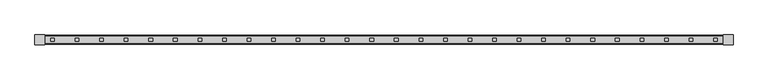
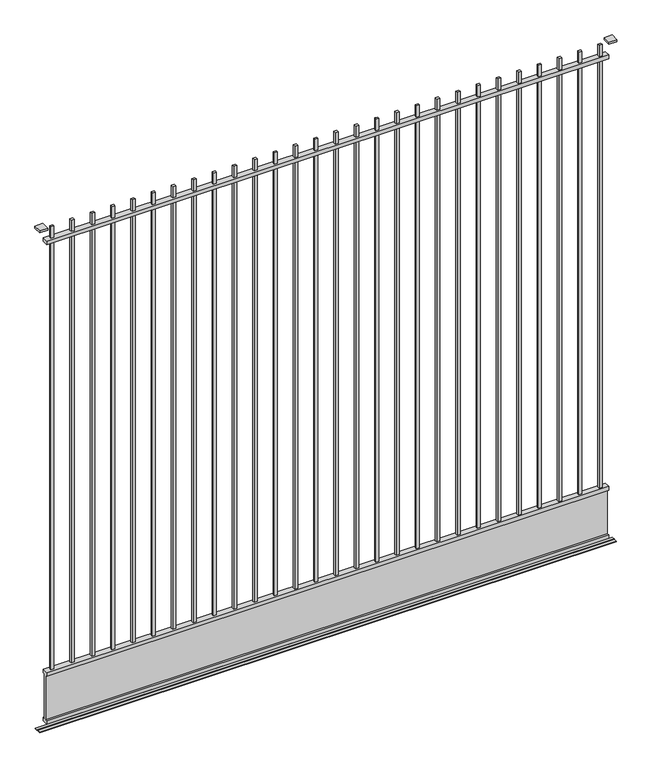
"""IFC4 building model written with IfcOpenShell, lengths in millimetres: geographic element geometry."""

from ifc_helpers import new_model, si_unit, frame, origin, place, context, project, spatial, polyline, outline, extrude, faceted_brep, source, transform, mapped, element, save


def geographic_element_a2f1956b(model_context):
    return source(origin(), model_context, "Body", "SolidModel", [
        faceted_brep([(-1429.1068511, -7.5, 3530.0), (-1429.1068511, 7.5, 3530.0), (-1449.1068511, 7.5, 3530.0), (-1449.1068511, -7.5, 3530.0), (-1157.99574, -7.5, 3530.0), (-1157.99574, 7.5, 3530.0), (-1177.99574, 7.5, 3530.0), (-1177.99574, -7.5, 3530.0), (-886.8846288, -7.5, 3530.0), (-886.8846288, 7.5, 3530.0), (-906.8846288, 7.5, 3530.0), (-906.8846288, -7.5, 3530.0), (-615.7735177, -7.5, 3530.0), (-615.7735177, 7.5, 3530.0), (-635.7735177, 7.5, 3530.0), (-635.7735177, -7.5, 3530.0), (-344.6624066, -7.5, 3530.0), (-344.6624066, 7.5, 3530.0), (-364.6624066, 7.5, 3530.0), (-364.6624066, -7.5, 3530.0), (-73.5512955, -7.5, 3530.0), (-73.5512955, 7.5, 3530.0), (-93.5512955, 7.5, 3530.0), (-93.5512955, -7.5, 3530.0), (197.5598156, -7.5, 3530.0), (197.5598156, 7.5, 3530.0), (177.5598156, 7.5, 3530.0), (177.5598156, -7.5, 3530.0), (468.6709267, -7.5, 3530.0), (468.6709267, 7.5, 3530.0), (448.6709267, 7.5, 3530.0), (448.6709267, -7.5, 3530.0), (739.7820378, -7.5, 3530.0), (739.7820378, 7.5, 3530.0), (719.7820378, 7.5, 3530.0), (719.7820378, -7.5, 3530.0), (1010.8931489, -7.5, 3530.0), (1010.8931489, 7.5, 3530.0), (990.8931489, 7.5, 3530.0), (990.8931489, -7.5, 3530.0), (1146.4487045, -7.5, 3530.0), (1146.4487045, 7.5, 3530.0), (1126.4487045, 7.5, 3530.0), (1126.4487045, -7.5, 3530.0), (1282.00426, -7.5, 3530.0), (1282.00426, 7.5, 3530.0), (1262.00426, 7.5, 3530.0), (1262.00426, -7.5, 3530.0), (1417.5598156, -7.5, 3530.0), (1417.5598156, 7.5, 3530.0), (1397.5598156, 7.5, 3530.0), (1397.5598156, -7.5, 3530.0), (1553.1153712, -7.5, 3530.0), (1553.1153712, 7.5, 3530.0), (1533.1153712, 7.5, 3530.0), (1533.1153712, -7.5, 3530.0), (1688.6709267, -7.5, 3530.0), (1688.6709267, 7.5, 3530.0), (1668.6709267, 7.5, 3530.0), (1668.6709267, -7.5, 3530.0), (1824.2264823, -7.5, 3530.0), (1824.2264823, 7.5, 3530.0), (1804.2264823, 7.5, 3530.0), (1804.2264823, -7.5, 3530.0), (1959.7820378, -7.5, 3530.0), (1959.7820378, 7.5, 3530.0), (1939.7820378, 7.5, 3530.0), (1939.7820378, -7.5, 3530.0), (2095.3375934, -7.5, 3530.0), (2095.3375934, 7.5, 3530.0), (2075.3375934, 7.5, 3530.0), (2075.3375934, -7.5, 3530.0), (2230.8931489, -7.5, 3530.0), (2230.8931489, 7.5, 3530.0), (2210.8931489, 7.5, 3530.0), (2210.8931489, -7.5, 3530.0), (-1293.5512955, -7.5, 3530.0), (-1293.5512955, 7.5, 3530.0), (-1313.5512955, 7.5, 3530.0), (-1313.5512955, -7.5, 3530.0), (-1022.4401844, -7.5, 3530.0), (-1022.4401844, 7.5, 3530.0), (-1042.4401844, 7.5, 3530.0), (-1042.4401844, -7.5, 3530.0), (-751.3290733, -7.5, 3530.0), (-751.3290733, 7.5, 3530.0), (-771.3290733, 7.5, 3530.0), (-771.3290733, -7.5, 3530.0), (-480.2179622, -7.5, 3530.0), (-480.2179622, 7.5, 3530.0), (-500.2179622, 7.5, 3530.0), (-500.2179622, -7.5, 3530.0), (62.00426, -7.5, 3530.0), (62.00426, 7.5, 3530.0), (42.00426, 7.5, 3530.0), (42.00426, -7.5, 3530.0), (333.1153712, -7.5, 3530.0), (333.1153712, 7.5, 3530.0), (313.1153712, 7.5, 3530.0), (313.1153712, -7.5, 3530.0), (875.3375934, -7.5, 3530.0), (875.3375934, 7.5, 3530.0), (855.3375934, 7.5, 3530.0), (855.3375934, -7.5, 3530.0), (604.2264823, -7.5, 3530.0), (604.2264823, 7.5, 3530.0), (584.2264823, 7.5, 3530.0), (584.2264823, -7.5, 3530.0), (-209.1068511, -7.5, 3530.0), (-209.1068511, 7.5, 3530.0), (-229.1068511, 7.5, 3530.0), (-229.1068511, -7.5, 3530.0), (-1429.1068511, -7.5, 3450.0), (-1429.1068511, 7.5, 3450.0), (-1429.1068511, -7.5, 3425.0), (-1429.1068511, -7.5, 405.0), (-1429.1068511, 7.5, 405.0), (-1429.1068511, 7.5, 3425.0), (-1449.1068511, 7.5, 3450.0), (-1449.1068511, 7.5, 405.0), (-1449.1068511, 7.5, 3425.0), (-1449.1068511, -7.5, 3450.0), (-1449.1068511, -7.5, 405.0), (-1449.1068511, -7.5, 3425.0), (-1157.99574, -7.5, 3450.0), (-1157.99574, 7.5, 3450.0), (-1157.99574, -7.5, 3425.0), (-1157.99574, -7.5, 405.0), (-1157.99574, 7.5, 405.0), (-1157.99574, 7.5, 3425.0), (-1177.99574, 7.5, 3450.0), (-1177.99574, 7.5, 405.0), (-1177.99574, 7.5, 3425.0), (-1177.99574, -7.5, 3450.0), (-1177.99574, -7.5, 405.0), (-1177.99574, -7.5, 3425.0), (-886.8846288, -7.5, 3450.0), (-886.8846288, 7.5, 3450.0), (-886.8846288, -7.5, 3425.0), (-886.8846288, -7.5, 405.0), (-886.8846288, 7.5, 405.0), (-886.8846288, 7.5, 3425.0), (-906.8846288, 7.5, 3450.0), (-906.8846288, 7.5, 405.0), (-906.8846288, 7.5, 3425.0), (-906.8846288, -7.5, 3450.0), (-906.8846288, -7.5, 405.0), (-906.8846288, -7.5, 3425.0), (-615.7735177, -7.5, 3450.0), (-615.7735177, 7.5, 3450.0), (-615.7735177, -7.5, 3425.0), (-615.7735177, -7.5, 405.0), (-615.7735177, 7.5, 405.0), (-615.7735177, 7.5, 3425.0), (-635.7735177, 7.5, 3450.0), (-635.7735177, 7.5, 405.0), (-635.7735177, 7.5, 3425.0), (-635.7735177, -7.5, 3450.0), (-635.7735177, -7.5, 405.0), (-635.7735177, -7.5, 3425.0), (-344.6624066, -7.5, 3450.0), (-344.6624066, 7.5, 3450.0), (-344.6624066, -7.5, 3425.0), (-344.6624066, -7.5, 405.0), (-344.6624066, 7.5, 405.0), (-344.6624066, 7.5, 3425.0), (-364.6624066, 7.5, 3450.0), (-364.6624066, 7.5, 405.0), (-364.6624066, 7.5, 3425.0), (-364.6624066, -7.5, 3450.0), (-364.6624066, -7.5, 405.0), (-364.6624066, -7.5, 3425.0), (-73.5512955, -7.5, 3450.0), (-73.5512955, 7.5, 3450.0), (-73.5512955, -7.5, 3425.0), (-73.5512955, -7.5, 405.0), (-73.5512955, 7.5, 405.0), (-73.5512955, 7.5, 3425.0), (-93.5512955, 7.5, 3450.0), (-93.5512955, 7.5, 405.0), (-93.5512955, 7.5, 3425.0), (-93.5512955, -7.5, 3450.0), (-93.5512955, -7.5, 405.0), (-93.5512955, -7.5, 3425.0), (197.5598156, -7.5, 3450.0), (197.5598156, 7.5, 3450.0), (197.5598156, -7.5, 3425.0), (197.5598156, -7.5, 405.0), (197.5598156, 7.5, 405.0), (197.5598156, 7.5, 3425.0), (177.5598156, 7.5, 3450.0), (177.5598156, 7.5, 405.0), (177.5598156, 7.5, 3425.0), (177.5598156, -7.5, 3450.0), (177.5598156, -7.5, 405.0), (177.5598156, -7.5, 3425.0), (468.6709267, -7.5, 3450.0), (468.6709267, 7.5, 3450.0), (468.6709267, -7.5, 3425.0), (468.6709267, -7.5, 405.0), (468.6709267, 7.5, 405.0), (468.6709267, 7.5, 3425.0), (448.6709267, 7.5, 3450.0), (448.6709267, 7.5, 405.0), (448.6709267, 7.5, 3425.0), (448.6709267, -7.5, 3450.0), (448.6709267, -7.5, 405.0), (448.6709267, -7.5, 3425.0), (739.7820378, -7.5, 3450.0), (739.7820378, 7.5, 3450.0), (739.7820378, -7.5, 3425.0), (739.7820378, -7.5, 405.0), (739.7820378, 7.5, 405.0), (739.7820378, 7.5, 3425.0), (719.7820378, 7.5, 3450.0), (719.7820378, 7.5, 405.0), (719.7820378, 7.5, 3425.0), (719.7820378, -7.5, 3450.0), (719.7820378, -7.5, 405.0), (719.7820378, -7.5, 3425.0), (1010.8931489, -7.5, 3450.0), (1010.8931489, 7.5, 3450.0), (1010.8931489, -7.5, 3425.0), (1010.8931489, -7.5, 405.0), (1010.8931489, 7.5, 405.0), (1010.8931489, 7.5, 3425.0), (990.8931489, 7.5, 3450.0), (990.8931489, 7.5, 405.0), (990.8931489, 7.5, 3425.0), (990.8931489, -7.5, 3450.0), (990.8931489, -7.5, 405.0), (990.8931489, -7.5, 3425.0), (1146.4487045, -7.5, 3450.0), (1146.4487045, 7.5, 3450.0), (1146.4487045, -7.5, 3425.0), (1146.4487045, -7.5, 405.0), (1146.4487045, 7.5, 405.0), (1146.4487045, 7.5, 3425.0), (1126.4487045, 7.5, 3450.0), (1126.4487045, 7.5, 405.0), (1126.4487045, 7.5, 3425.0), (1126.4487045, -7.5, 3450.0), (1126.4487045, -7.5, 405.0), (1126.4487045, -7.5, 3425.0), (1282.00426, -7.5, 3450.0), (1282.00426, 7.5, 3450.0), (1282.00426, -7.5, 3425.0), (1282.00426, -7.5, 405.0), (1282.00426, 7.5, 405.0), (1282.00426, 7.5, 3425.0), (1262.00426, 7.5, 3450.0), (1262.00426, 7.5, 405.0), (1262.00426, 7.5, 3425.0), (1262.00426, -7.5, 3450.0), (1262.00426, -7.5, 405.0), (1262.00426, -7.5, 3425.0), (1417.5598156, -7.5, 3450.0), (1417.5598156, 7.5, 3450.0), (1417.5598156, -7.5, 3425.0), (1417.5598156, -7.5, 405.0), (1417.5598156, 7.5, 405.0), (1417.5598156, 7.5, 3425.0), (1397.5598156, 7.5, 3450.0), (1397.5598156, 7.5, 405.0), (1397.5598156, 7.5, 3425.0), (1397.5598156, -7.5, 3450.0), (1397.5598156, -7.5, 405.0), (1397.5598156, -7.5, 3425.0), (1553.1153712, -7.5, 3450.0), (1553.1153712, 7.5, 3450.0), (1553.1153712, -7.5, 3425.0), (1553.1153712, -7.5, 405.0), (1553.1153712, 7.5, 405.0), (1553.1153712, 7.5, 3425.0), (1533.1153712, 7.5, 3450.0), (1533.1153712, 7.5, 405.0), (1533.1153712, 7.5, 3425.0), (1533.1153712, -7.5, 3450.0), (1533.1153712, -7.5, 405.0), (1533.1153712, -7.5, 3425.0), (1688.6709267, -7.5, 3450.0), (1688.6709267, 7.5, 3450.0), (1688.6709267, -7.5, 3425.0), (1688.6709267, -7.5, 405.0), (1688.6709267, 7.5, 405.0), (1688.6709267, 7.5, 3425.0), (1668.6709267, 7.5, 3450.0), (1668.6709267, 7.5, 405.0), (1668.6709267, 7.5, 3425.0), (1668.6709267, -7.5, 3450.0), (1668.6709267, -7.5, 405.0), (1668.6709267, -7.5, 3425.0), (1824.2264823, -7.5, 3450.0), (1824.2264823, 7.5, 3450.0), (1824.2264823, -7.5, 3425.0), (1824.2264823, -7.5, 405.0), (1824.2264823, 7.5, 405.0), (1824.2264823, 7.5, 3425.0), (1804.2264823, 7.5, 3450.0), (1804.2264823, 7.5, 405.0), (1804.2264823, 7.5, 3425.0), (1804.2264823, -7.5, 3450.0), (1804.2264823, -7.5, 405.0), (1804.2264823, -7.5, 3425.0), (1959.7820378, -7.5, 3450.0), (1959.7820378, 7.5, 3450.0), (1959.7820378, -7.5, 3425.0), (1959.7820378, -7.5, 405.0), (1959.7820378, 7.5, 405.0), (1959.7820378, 7.5, 3425.0), (1939.7820378, 7.5, 3450.0), (1939.7820378, 7.5, 405.0), (1939.7820378, 7.5, 3425.0), (1939.7820378, -7.5, 3450.0), (1939.7820378, -7.5, 405.0), (1939.7820378, -7.5, 3425.0), (2095.3375934, -7.5, 3450.0), (2095.3375934, 7.5, 3450.0), (2095.3375934, -7.5, 3425.0), (2095.3375934, -7.5, 405.0), (2095.3375934, 7.5, 405.0), (2095.3375934, 7.5, 3425.0), (2075.3375934, 7.5, 3450.0), (2075.3375934, 7.5, 405.0), (2075.3375934, 7.5, 3425.0), (2075.3375934, -7.5, 3450.0), (2075.3375934, -7.5, 405.0), (2075.3375934, -7.5, 3425.0), (2230.8931489, -7.5, 3450.0), (2230.8931489, 7.5, 3450.0), (2230.8931489, -7.5, 3425.0), (2230.8931489, -7.5, 405.0), (2230.8931489, 7.5, 405.0), (2230.8931489, 7.5, 3425.0), (2210.8931489, 7.5, 3450.0), (2210.8931489, 7.5, 405.0), (2210.8931489, 7.5, 3425.0), (2210.8931489, -7.5, 3450.0), (2210.8931489, -7.5, 405.0), (2210.8931489, -7.5, 3425.0), (-1293.5512955, -7.5, 3450.0), (-1293.5512955, 7.5, 3450.0), (-1293.5512955, -7.5, 3425.0), (-1293.5512955, -7.5, 405.0), (-1293.5512955, 7.5, 405.0), (-1293.5512955, 7.5, 3425.0), (-1313.5512955, 7.5, 3450.0), (-1313.5512955, 7.5, 405.0), (-1313.5512955, 7.5, 3425.0), (-1313.5512955, -7.5, 3450.0), (-1313.5512955, -7.5, 405.0), (-1313.5512955, -7.5, 3425.0), (-1022.4401844, -7.5, 3450.0), (-1022.4401844, 7.5, 3450.0), (-1022.4401844, -7.5, 3425.0), (-1022.4401844, -7.5, 405.0), (-1022.4401844, 7.5, 405.0), (-1022.4401844, 7.5, 3425.0), (-1042.4401844, 7.5, 3450.0), (-1042.4401844, 7.5, 405.0), (-1042.4401844, 7.5, 3425.0), (-1042.4401844, -7.5, 3450.0), (-1042.4401844, -7.5, 405.0), (-1042.4401844, -7.5, 3425.0), (-751.3290733, -7.5, 3450.0), (-751.3290733, 7.5, 3450.0), (-751.3290733, -7.5, 3425.0), (-751.3290733, -7.5, 405.0), (-751.3290733, 7.5, 405.0), (-751.3290733, 7.5, 3425.0), (-771.3290733, 7.5, 3450.0), (-771.3290733, 7.5, 405.0), (-771.3290733, 7.5, 3425.0), (-771.3290733, -7.5, 3450.0), (-771.3290733, -7.5, 405.0), (-771.3290733, -7.5, 3425.0), (-480.2179622, -7.5, 3450.0), (-480.2179622, 7.5, 3450.0), (-480.2179622, -7.5, 3425.0), (-480.2179622, -7.5, 405.0), (-480.2179622, 7.5, 405.0), (-480.2179622, 7.5, 3425.0), (-500.2179622, 7.5, 3450.0), (-500.2179622, 7.5, 405.0), (-500.2179622, 7.5, 3425.0), (-500.2179622, -7.5, 3450.0), (-500.2179622, -7.5, 405.0), (-500.2179622, -7.5, 3425.0), (62.00426, -7.5, 3450.0), (62.00426, 7.5, 3450.0), (62.00426, -7.5, 3425.0), (62.00426, -7.5, 405.0), (62.00426, 7.5, 405.0), (62.00426, 7.5, 3425.0), (42.00426, 7.5, 3450.0), (42.00426, 7.5, 405.0), (42.00426, 7.5, 3425.0), (42.00426, -7.5, 3450.0), (42.00426, -7.5, 405.0), (42.00426, -7.5, 3425.0), (333.1153712, -7.5, 3450.0), (333.1153712, 7.5, 3450.0), (333.1153712, -7.5, 3425.0), (333.1153712, -7.5, 405.0), (333.1153712, 7.5, 405.0), (333.1153712, 7.5, 3425.0), (313.1153712, 7.5, 3450.0), (313.1153712, 7.5, 405.0), (313.1153712, 7.5, 3425.0), (313.1153712, -7.5, 3450.0), (313.1153712, -7.5, 405.0), (313.1153712, -7.5, 3425.0), (875.3375934, -7.5, 3450.0), (875.3375934, 7.5, 3450.0), (875.3375934, -7.5, 3425.0), (875.3375934, -7.5, 405.0), (875.3375934, 7.5, 405.0), (875.3375934, 7.5, 3425.0), (855.3375934, 7.5, 3450.0), (855.3375934, 7.5, 405.0), (855.3375934, 7.5, 3425.0), (855.3375934, -7.5, 3450.0), (855.3375934, -7.5, 405.0), (855.3375934, -7.5, 3425.0), (604.2264823, -7.5, 3450.0), (604.2264823, 7.5, 3450.0), (604.2264823, -7.5, 3425.0), (604.2264823, -7.5, 405.0), (604.2264823, 7.5, 405.0), (604.2264823, 7.5, 3425.0), (584.2264823, 7.5, 3450.0), (584.2264823, 7.5, 405.0), (584.2264823, 7.5, 3425.0), (584.2264823, -7.5, 3450.0), (584.2264823, -7.5, 405.0), (584.2264823, -7.5, 3425.0), (-209.1068511, -7.5, 3450.0), (-209.1068511, 7.5, 3450.0), (-209.1068511, -7.5, 3425.0), (-209.1068511, -7.5, 405.0), (-209.1068511, 7.5, 405.0), (-209.1068511, 7.5, 3425.0), (-229.1068511, 7.5, 3450.0), (-229.1068511, 7.5, 405.0), (-229.1068511, 7.5, 3425.0), (-229.1068511, -7.5, 3450.0), (-229.1068511, -7.5, 405.0), (-229.1068511, -7.5, 3425.0), (2265.8931489, -20.0, 380.0), (2265.8931489, -7.5, 380.0), (2265.8931489, -7.5, 65.0), (2265.8931489, -20.0, 65.0), (2265.8931489, -20.0, 40.0), (2265.8931489, 20.0, 40.0), (2265.8931489, 20.0, 65.0), (2265.8931489, 7.5, 65.0), (2265.8931489, 7.5, 380.0), (2265.8931489, 20.0, 380.0), (2265.8931489, 20.0, 405.0), (2265.8931489, -20.0, 405.0), (2265.8931489, 20.0, 3425.0), (2265.8931489, 20.0, 3450.0), (2265.8931489, -20.0, 3450.0), (2265.8931489, -20.0, 3425.0), (-1484.1068511, -20.0, 380.0), (-1484.1068511, -20.0, 405.0), (-1484.1068511, 20.0, 405.0), (-1484.1068511, 20.0, 380.0), (-1484.1068511, 7.5, 380.0), (-1484.1068511, 7.5, 65.0), (-1484.1068511, 20.0, 65.0), (-1484.1068511, 20.0, 40.0), (-1484.1068511, -20.0, 40.0), (-1484.1068511, -20.0, 65.0), (-1484.1068511, -7.5, 65.0), (-1484.1068511, -7.5, 380.0), (-1484.1068511, 20.0, 3425.0), (-1484.1068511, -20.0, 3425.0), (-1484.1068511, -20.0, 3450.0), (-1484.1068511, 20.0, 3450.0)], [[[0, 1, 2, 3]], [[4, 5, 6, 7]], [[8, 9, 10, 11]], [[12, 13, 14, 15]], [[16, 17, 18, 19]], [[20, 21, 22, 23]], [[24, 25, 26, 27]], [[28, 29, 30, 31]], [[32, 33, 34, 35]], [[36, 37, 38, 39]], [[40, 41, 42, 43]], [[44, 45, 46, 47]], [[48, 49, 50, 51]], [[52, 53, 54, 55]], [[56, 57, 58, 59]], [[60, 61, 62, 63]], [[64, 65, 66, 67]], [[68, 69, 70, 71]], [[72, 73, 74, 75]], [[76, 77, 78, 79]], [[80, 81, 82, 83]], [[84, 85, 86, 87]], [[88, 89, 90, 91]], [[92, 93, 94, 95]], [[96, 97, 98, 99]], [[100, 101, 102, 103]], [[104, 105, 106, 107]], [[108, 109, 110, 111]], [[1, 0, 112, 113]], [[114, 115, 116, 117]], [[2, 1, 113, 118]], [[117, 116, 119, 120]], [[3, 2, 118, 121]], [[120, 119, 122, 123]], [[0, 3, 121, 112]], [[115, 114, 123, 122]], [[5, 4, 124, 125]], [[126, 127, 128, 129]], [[6, 5, 125, 130]], [[129, 128, 131, 132]], [[7, 6, 130, 133]], [[132, 131, 134, 135]], [[4, 7, 133, 124]], [[127, 126, 135, 134]], [[9, 8, 136, 137]], [[138, 139, 140, 141]], [[10, 9, 137, 142]], [[141, 140, 143, 144]], [[11, 10, 142, 145]], [[144, 143, 146, 147]], [[8, 11, 145, 136]], [[139, 138, 147, 146]], [[13, 12, 148, 149]], [[150, 151, 152, 153]], [[14, 13, 149, 154]], [[153, 152, 155, 156]], [[15, 14, 154, 157]], [[156, 155, 158, 159]], [[12, 15, 157, 148]], [[151, 150, 159, 158]], [[17, 16, 160, 161]], [[162, 163, 164, 165]], [[18, 17, 161, 166]], [[165, 164, 167, 168]], [[19, 18, 166, 169]], [[168, 167, 170, 171]], [[16, 19, 169, 160]], [[163, 162, 171, 170]], [[21, 20, 172, 173]], [[174, 175, 176, 177]], [[22, 21, 173, 178]], [[177, 176, 179, 180]], [[23, 22, 178, 181]], [[180, 179, 182, 183]], [[20, 23, 181, 172]], [[175, 174, 183, 182]], [[25, 24, 184, 185]], [[186, 187, 188, 189]], [[26, 25, 185, 190]], [[189, 188, 191, 192]], [[27, 26, 190, 193]], [[192, 191, 194, 195]], [[24, 27, 193, 184]], [[187, 186, 195, 194]], [[29, 28, 196, 197]], [[198, 199, 200, 201]], [[30, 29, 197, 202]], [[201, 200, 203, 204]], [[31, 30, 202, 205]], [[204, 203, 206, 207]], [[28, 31, 205, 196]], [[199, 198, 207, 206]], [[33, 32, 208, 209]], [[210, 211, 212, 213]], [[34, 33, 209, 214]], [[213, 212, 215, 216]], [[35, 34, 214, 217]], [[216, 215, 218, 219]], [[32, 35, 217, 208]], [[211, 210, 219, 218]], [[37, 36, 220, 221]], [[222, 223, 224, 225]], [[38, 37, 221, 226]], [[225, 224, 227, 228]], [[39, 38, 226, 229]], [[228, 227, 230, 231]], [[36, 39, 229, 220]], [[223, 222, 231, 230]], [[41, 40, 232, 233]], [[234, 235, 236, 237]], [[42, 41, 233, 238]], [[237, 236, 239, 240]], [[43, 42, 238, 241]], [[240, 239, 242, 243]], [[40, 43, 241, 232]], [[235, 234, 243, 242]], [[45, 44, 244, 245]], [[246, 247, 248, 249]], [[46, 45, 245, 250]], [[249, 248, 251, 252]], [[47, 46, 250, 253]], [[252, 251, 254, 255]], [[44, 47, 253, 244]], [[247, 246, 255, 254]], [[49, 48, 256, 257]], [[258, 259, 260, 261]], [[50, 49, 257, 262]], [[261, 260, 263, 264]], [[51, 50, 262, 265]], [[264, 263, 266, 267]], [[48, 51, 265, 256]], [[259, 258, 267, 266]], [[53, 52, 268, 269]], [[270, 271, 272, 273]], [[54, 53, 269, 274]], [[273, 272, 275, 276]], [[55, 54, 274, 277]], [[276, 275, 278, 279]], [[52, 55, 277, 268]], [[271, 270, 279, 278]], [[57, 56, 280, 281]], [[282, 283, 284, 285]], [[58, 57, 281, 286]], [[285, 284, 287, 288]], [[59, 58, 286, 289]], [[288, 287, 290, 291]], [[56, 59, 289, 280]], [[283, 282, 291, 290]], [[61, 60, 292, 293]], [[294, 295, 296, 297]], [[62, 61, 293, 298]], [[297, 296, 299, 300]], [[63, 62, 298, 301]], [[300, 299, 302, 303]], [[60, 63, 301, 292]], [[295, 294, 303, 302]], [[65, 64, 304, 305]], [[306, 307, 308, 309]], [[66, 65, 305, 310]], [[309, 308, 311, 312]], [[67, 66, 310, 313]], [[312, 311, 314, 315]], [[64, 67, 313, 304]], [[307, 306, 315, 314]], [[69, 68, 316, 317]], [[318, 319, 320, 321]], [[70, 69, 317, 322]], [[321, 320, 323, 324]], [[71, 70, 322, 325]], [[324, 323, 326, 327]], [[68, 71, 325, 316]], [[319, 318, 327, 326]], [[73, 72, 328, 329]], [[330, 331, 332, 333]], [[74, 73, 329, 334]], [[333, 332, 335, 336]], [[75, 74, 334, 337]], [[336, 335, 338, 339]], [[72, 75, 337, 328]], [[331, 330, 339, 338]], [[77, 76, 340, 341]], [[342, 343, 344, 345]], [[78, 77, 341, 346]], [[345, 344, 347, 348]], [[79, 78, 346, 349]], [[348, 347, 350, 351]], [[76, 79, 349, 340]], [[343, 342, 351, 350]], [[81, 80, 352, 353]], [[354, 355, 356, 357]], [[82, 81, 353, 358]], [[357, 356, 359, 360]], [[83, 82, 358, 361]], [[360, 359, 362, 363]], [[80, 83, 361, 352]], [[355, 354, 363, 362]], [[85, 84, 364, 365]], [[366, 367, 368, 369]], [[86, 85, 365, 370]], [[369, 368, 371, 372]], [[87, 86, 370, 373]], [[372, 371, 374, 375]], [[84, 87, 373, 364]], [[367, 366, 375, 374]], [[89, 88, 376, 377]], [[378, 379, 380, 381]], [[90, 89, 377, 382]], [[381, 380, 383, 384]], [[91, 90, 382, 385]], [[384, 383, 386, 387]], [[88, 91, 385, 376]], [[379, 378, 387, 386]], [[93, 92, 388, 389]], [[390, 391, 392, 393]], [[94, 93, 389, 394]], [[393, 392, 395, 396]], [[95, 94, 394, 397]], [[396, 395, 398, 399]], [[92, 95, 397, 388]], [[391, 390, 399, 398]], [[97, 96, 400, 401]], [[402, 403, 404, 405]], [[98, 97, 401, 406]], [[405, 404, 407, 408]], [[99, 98, 406, 409]], [[408, 407, 410, 411]], [[96, 99, 409, 400]], [[403, 402, 411, 410]], [[101, 100, 412, 413]], [[414, 415, 416, 417]], [[102, 101, 413, 418]], [[417, 416, 419, 420]], [[103, 102, 418, 421]], [[420, 419, 422, 423]], [[100, 103, 421, 412]], [[415, 414, 423, 422]], [[105, 104, 424, 425]], [[426, 427, 428, 429]], [[106, 105, 425, 430]], [[429, 428, 431, 432]], [[107, 106, 430, 433]], [[432, 431, 434, 435]], [[104, 107, 433, 424]], [[427, 426, 435, 434]], [[109, 108, 436, 437]], [[438, 439, 440, 441]], [[110, 109, 437, 442]], [[441, 440, 443, 444]], [[111, 110, 442, 445]], [[444, 443, 446, 447]], [[108, 111, 445, 436]], [[439, 438, 447, 446]], [[448, 449, 450, 451, 452, 453, 454, 455, 456, 457, 458, 459]], [[460, 461, 462, 463]], [[464, 465, 466, 467, 468, 469, 470, 471, 472, 473, 474, 475]], [[476, 477, 478, 479]], [[449, 448, 464, 475]], [[450, 449, 475, 474]], [[451, 450, 474, 473]], [[452, 451, 473, 472]], [[453, 452, 472, 471]], [[454, 453, 471, 470]], [[455, 454, 470, 469]], [[456, 455, 469, 468]], [[457, 456, 468, 467]], [[458, 457, 467, 466]], [[459, 458, 466, 465], [116, 115, 122, 119], [128, 127, 134, 131], [140, 139, 146, 143], [152, 151, 158, 155], [164, 163, 170, 167], [176, 175, 182, 179], [188, 187, 194, 191], [200, 199, 206, 203], [212, 211, 218, 215], [224, 223, 230, 227], [236, 235, 242, 239], [248, 247, 254, 251], [260, 259, 266, 263], [272, 271, 278, 275], [284, 283, 290, 287], [296, 295, 302, 299], [308, 307, 314, 311], [320, 319, 326, 323], [332, 331, 338, 335], [344, 343, 350, 347], [356, 355, 362, 359], [368, 367, 374, 371], [380, 379, 386, 383], [392, 391, 398, 395], [404, 403, 410, 407], [416, 415, 422, 419], [428, 427, 434, 431], [440, 439, 446, 443]], [[448, 459, 465, 464]], [[461, 460, 476, 479]], [[462, 461, 479, 478], [113, 112, 121, 118], [125, 124, 133, 130], [137, 136, 145, 142], [149, 148, 157, 154], [161, 160, 169, 166], [173, 172, 181, 178], [185, 184, 193, 190], [197, 196, 205, 202], [209, 208, 217, 214], [221, 220, 229, 226], [233, 232, 241, 238], [245, 244, 253, 250], [257, 256, 265, 262], [269, 268, 277, 274], [281, 280, 289, 286], [293, 292, 301, 298], [305, 304, 313, 310], [317, 316, 325, 322], [329, 328, 337, 334], [341, 340, 349, 346], [353, 352, 361, 358], [365, 364, 373, 370], [377, 376, 385, 382], [389, 388, 397, 394], [401, 400, 409, 406], [413, 412, 421, 418], [425, 424, 433, 430], [437, 436, 445, 442]], [[463, 462, 478, 477]], [[460, 463, 477, 476], [114, 117, 120, 123], [126, 129, 132, 135], [138, 141, 144, 147], [150, 153, 156, 159], [162, 165, 168, 171], [174, 177, 180, 183], [186, 189, 192, 195], [198, 201, 204, 207], [210, 213, 216, 219], [222, 225, 228, 231], [234, 237, 240, 243], [246, 249, 252, 255], [258, 261, 264, 267], [270, 273, 276, 279], [282, 285, 288, 291], [294, 297, 300, 303], [306, 309, 312, 315], [318, 321, 324, 327], [330, 333, 336, 339], [342, 345, 348, 351], [354, 357, 360, 363], [366, 369, 372, 375], [378, 381, 384, 387], [390, 393, 396, 399], [402, 405, 408, 411], [414, 417, 420, 423], [426, 429, 432, 435], [438, 441, 444, 447]]]),
        extrude(outline(polyline([(-1482.1068511, 27.0), (-1482.1068511, -27.0), (-1536.1068511, -27.0), (-1536.1068511, 27.0), (-1482.1068511, 27.0)])), frame((0.0, 0.0, 3530.0), z_axis=(0.0, 0.0, 1.0), x_axis=(1.0, 0.0, 0.0)), (0.0, 0.0, 1.0), 15.0),
        extrude(outline(polyline([(2317.8931489, 27.0), (2317.8931489, -27.0), (2263.8931489, -27.0), (2263.8931489, 27.0), (2317.8931489, 27.0)])), frame((0.0, 0.0, 3530.0), z_axis=(0.0, 0.0, 1.0), x_axis=(1.0, 0.0, 0.0)), (0.0, 0.0, 1.0), 15.0),
        extrude(outline(polyline([(-25.0, 0.0), (-25.0, 3.0), (-1.4239432, 3.0), (-1.4239432, 6.0), (1.4239432, 6.0), (1.4239432, 3.0), (25.0, 3.0), (25.0, 0.0), (-25.0, 0.0)])), frame((-1534.1068511, 0.0, 0.0), z_axis=(1.0, 0.0, 0.0), x_axis=(0.0, 1.0, 0.0)), (0.0, 0.0, 1.0), 3850.0),
    ])


if __name__ == "__main__":
    model = new_model("IFC4")
    model_context = context("Model", 3, world=origin())
    ifc_project = project(units=[si_unit("LENGTHUNIT", "METRE", prefix="MILLI")], contexts=[model_context])
    site = spatial("IfcSite", under=ifc_project)
    building = spatial("IfcBuilding", under=site)
    placement = place(None, origin())
    geographic_element_shape = geographic_element_a2f1956b(model_context)
    element("IfcGeographicElement", 1, at=placement, inside=building, context=model_context, shape_type="MappedRepresentation", body=[
        mapped(geographic_element_shape, transform((0.0, 0.0, 0.0), x_axis=(1.0, 0.0, 0.0), y_axis=(0.0, 1.0, 0.0), z_axis=(0.0, 0.0, 1.0))),
    ])
    save(model, "model.ifc")
